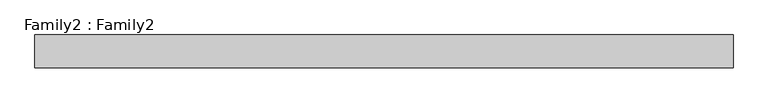
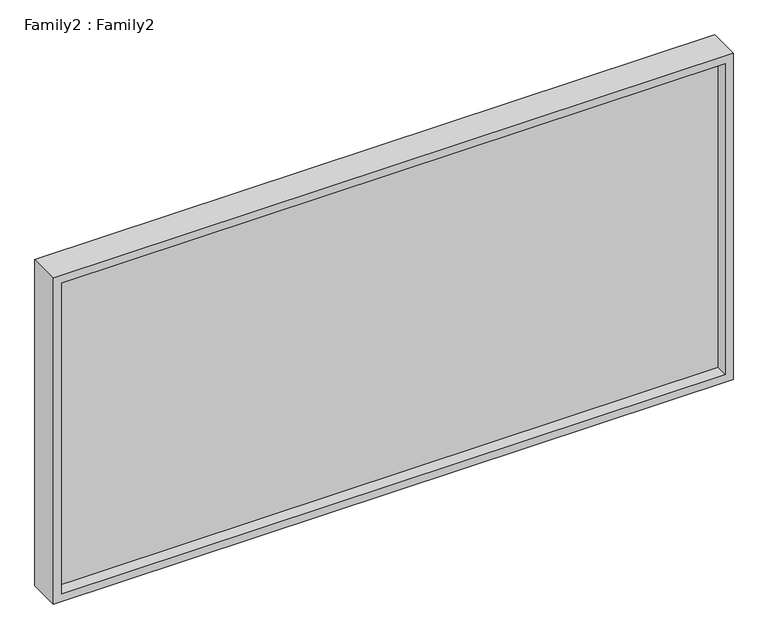
"""IFC4 building model written with IfcOpenShell, lengths in millimetres: plate geometry, Family2 : Family2."""

from ifc_helpers import new_model, si_unit, frame, origin, place, context, project, spatial, polyline, outline, extrude, source, transform, mapped, element, save


def family2_family2_aea5d49d(model_context):
    return source(origin(), model_context, "Body", "SweptSolid", [
        extrude(outline(polyline([(858.3333333, -845.8333333), (0.0, -845.8333333), (0.0, 845.8333333), (858.3333333, 845.8333333), (858.3333333, -845.8333333)]), holes=[polyline([(20.0, -825.8333333), (838.3333333, -825.8333333), (838.3333333, 825.8333333), (20.0, 825.8333333), (20.0, -825.8333333)])]), frame((0.0, -40.0, 0.0), z_axis=(0.0, 1.0, 0.0), x_axis=(0.0, 0.0, 1.0)), (0.0, 0.0, 1.0), 80.0),
        extrude(outline(polyline([(825.8333333, -10.0), (-825.8333333, -10.0), (-825.8333333, 10.0), (825.8333333, 10.0), (825.8333333, -10.0)])), frame((0.0, 0.0, 20.0), z_axis=(0.0, 0.0, 1.0), x_axis=(1.0, 0.0, 0.0)), (0.0, 0.0, 1.0), 818.3333333),
    ])


if __name__ == "__main__":
    model = new_model("IFC4")
    model_context = context("Model", 3, world=origin())
    ifc_project = project(units=[si_unit("LENGTHUNIT", "METRE", prefix="MILLI")], contexts=[model_context])
    site = spatial("IfcSite", under=ifc_project)
    building = spatial("IfcBuilding", under=site)
    placement = place(None, origin())
    family2_family2_shape = family2_family2_aea5d49d(model_context)
    element("IfcPlate", 1, ObjectType="Family2 : Family2", at=placement, inside=building, context=model_context, shape_type="MappedRepresentation", body=[
        mapped(family2_family2_shape, transform((0.0, 0.0, 0.0), x_axis=(1.0, 0.0, 0.0), y_axis=(0.0, 1.0, 0.0), z_axis=(0.0, 0.0, 1.0))),
    ])
    save(model, "model.ifc")
